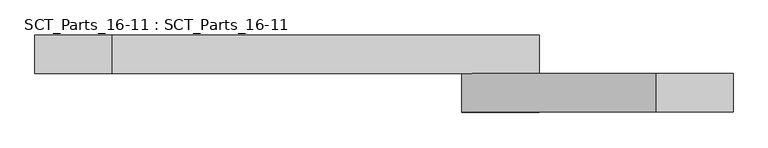
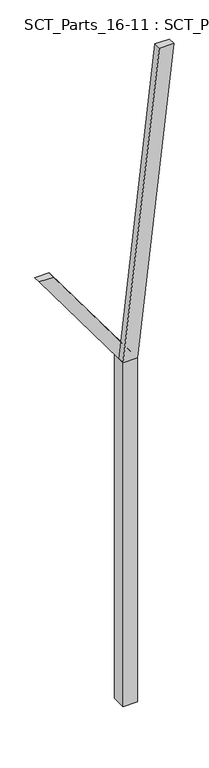
"""IFC4 building model written with IfcOpenShell, lengths in millimetres: proxy geometry, SCT_Parts_16-11 : SCT_Parts_16-11."""

from ifc_helpers import new_model, si_unit, frame, origin, origin_with_axes, place, context, project, spatial, polyline, outline, extrude, source, transform, mapped, element, save


def sct_parts_16_11_sct_parts_16_11_eaf5727a(model_context):
    return source(origin(), model_context, "Body", "SweptSolid", [
        extrude(outline(polyline([(5000.0, 200.0), (9400.0, 700.0), (9400.0, 500.0), (5000.0, 0.0), (5000.0, 200.0)])), frame((0.0, -200.0, 0.0), z_axis=(0.0, 1.0, 0.0), x_axis=(0.0, 0.0, 1.0)), (0.0, 0.0, 1.0), 100.0),
        extrude(outline(polyline([(5000.0, 0.0), (5000.0, 200.0), (6500.0, -900.0), (6500.0, -1100.0), (5000.0, 0.0)])), frame((0.0, -100.0, 0.0), z_axis=(0.0, 1.0, 0.0), x_axis=(0.0, 0.0, 1.0)), (0.0, 0.0, 1.0), 100.0),
        extrude(outline(polyline([(200.0, -200.0), (0.0, -200.0), (0.0, 0.0), (200.0, 0.0), (200.0, -200.0)])), origin_with_axes(), (0.0, 0.0, 1.0), 5000.0),
    ])


if __name__ == "__main__":
    model = new_model("IFC4")
    model_context = context("Model", 3, world=origin())
    ifc_project = project(units=[si_unit("LENGTHUNIT", "METRE", prefix="MILLI")], contexts=[model_context])
    site = spatial("IfcSite", under=ifc_project)
    building = spatial("IfcBuilding", under=site)
    placement = place(None, origin())
    sct_parts_16_11_sct_parts_16_11_shape = sct_parts_16_11_sct_parts_16_11_eaf5727a(model_context)
    element("IfcBuildingElementProxy", 1, Name="SCT_Parts_16-11 : SCT_Parts_16-11", ObjectType="SCT_Parts_16-11 : SCT_Parts_16-11", at=placement, inside=building, context=model_context, shape_type="MappedRepresentation", body=[
        mapped(sct_parts_16_11_sct_parts_16_11_shape, transform((0.0, 0.0, 0.0), x_axis=(1.0, 0.0, 0.0), y_axis=(0.0, 1.0, 0.0), z_axis=(0.0, 0.0, 1.0))),
    ])
    save(model, "model.ifc")
